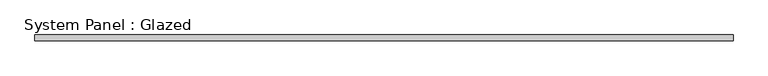
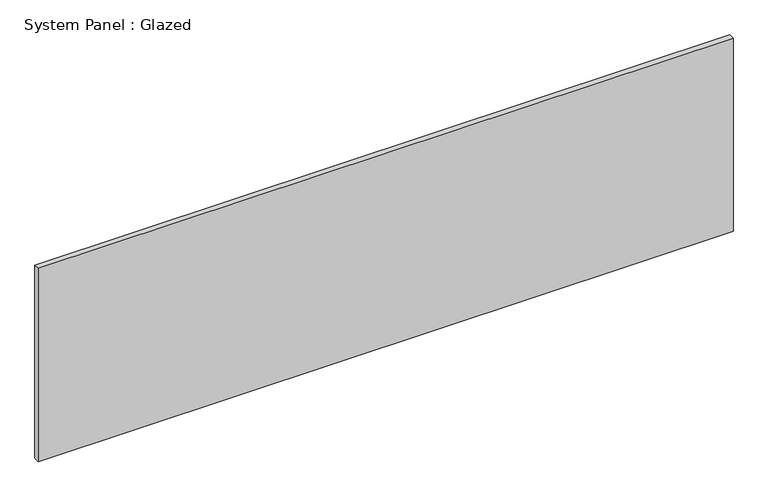
"""IFC4 building model written with IfcOpenShell, lengths in millimetres: plate geometry, System Panel : Glazed."""

import ifcopenshell
import ifcopenshell.guid

model = None  # the IFC model being written
_history = None  # IfcOwnerHistory: only IFC2X3 demands one
_inside = {}  # id of a spatial element -> (the spatial element, [elements in it])
_under = {}  # id of a project, library or spatial element -> (it, [spatial elements below it])
_declared = {}  # id of a project -> (the project, [libraries it declares])
_typed = {}  # id of a type object -> (the type object, [elements of that type])
_made_of = {}  # id of a material, layer set ... -> (it, [elements and type objects made of it])


def new_model(schema):
    """Start an empty IFC model of exactly this schema.

    Asked for "IFC4X3", IfcOpenShell would pick the latest addendum, in which some entities
    have other attributes; the version numbers below select the first issue.
    IFC2X3 requires an IfcOwnerHistory on every rooted entity: one is made here for all.
    """
    global model, _history
    if schema == "IFC4X3":
        model = ifcopenshell.file(schema_version=(4, 3, 0, 0))
    else:
        model = ifcopenshell.file(schema=schema)
    _inside.clear()
    _under.clear()
    _declared.clear()
    _typed.clear()
    _made_of.clear()
    _history = None
    if model.schema == "IFC2X3":
        org = make("IfcOrganization", Name="unknown")
        user = make(
            "IfcPersonAndOrganization",
            ThePerson=make("IfcPerson", FamilyName="unknown"),
            TheOrganization=org,
        )
        app = make(
            "IfcApplication",
            ApplicationDeveloper=org,
            Version="unknown",
            ApplicationFullName="unknown",
            ApplicationIdentifier="unknown",
        )
        _history = make(
            "IfcOwnerHistory",
            OwningUser=user,
            OwningApplication=app,
            ChangeAction="ADDED",
            CreationDate=0,
        )
    return model


def make(cls, **values):
    """One entity of the class cls with the attributes given. An attribute that is None is left unset."""
    return model.create_entity(
        cls, **{name: value for name, value in values.items() if value is not None}
    )


def rooted(cls, **values):
    """An entity with a GlobalId (a new one), such as an element, a storey or a relation."""
    return make(cls, GlobalId=ifcopenshell.guid.new(), OwnerHistory=_history, **values)


def si_unit(unit_type, name, prefix=None):
    """IfcSIUnit, for example si_unit("LENGTHUNIT", "METRE", prefix="MILLI")."""
    return make("IfcSIUnit", UnitType=unit_type, Prefix=prefix, Name=name)


def assignment(units):
    """IfcUnitAssignment: the units of a project."""
    return None if units is None else make("IfcUnitAssignment", Units=units)


def point(xyz):
    """IfcCartesianPoint."""
    return None if xyz is None else make("IfcCartesianPoint", Coordinates=xyz)


def direction(xyz):
    """IfcDirection."""
    return None if xyz is None else make("IfcDirection", DirectionRatios=xyz)


def frame(location, z_axis=None, x_axis=None):
    """IfcAxis2Placement3D, a coordinate frame: its origin and axes. An axis left out is left unset."""
    return make(
        "IfcAxis2Placement3D",
        Location=point(location),
        Axis=direction(z_axis),
        RefDirection=direction(x_axis),
    )


def origin():
    """The frame at (0, 0, 0) with its axes left unset."""
    return frame((0.0, 0.0, 0.0))


def origin_with_axes():
    """The frame at (0, 0, 0) with the z axis (0, 0, 1) and the x axis (1, 0, 0) written out."""
    return frame((0.0, 0.0, 0.0), z_axis=(0.0, 0.0, 1.0), x_axis=(1.0, 0.0, 0.0))


def place(relative_to, where):
    """IfcLocalPlacement: puts the frame where relative to a parent placement (None: the world)."""
    return make(
        "IfcLocalPlacement", PlacementRelTo=relative_to, RelativePlacement=where
    )


def context(
    kind, dimensions, precision=None, world=None, true_north=None, identifier=None
):
    """IfcGeometricRepresentationContext, for example the 3D "Model" context."""
    return make(
        "IfcGeometricRepresentationContext",
        ContextIdentifier=identifier,
        ContextType=kind,
        CoordinateSpaceDimension=dimensions,
        Precision=precision,
        WorldCoordinateSystem=world,
        TrueNorth=true_north,
    )


def project(units=None, contexts=None):
    """IfcProject with its units and contexts."""
    return rooted(
        "IfcProject",
        Name="project",
        RepresentationContexts=contexts,
        UnitsInContext=assignment(units),
    )


def spatial(cls, under=None, at=None, **own):
    """A site, building, storey or space (cls), placed at a placement, below another one or the project."""
    s = rooted(cls, ObjectPlacement=at, **own)
    if under is not None:
        _under.setdefault(under.id(), (under, []))[1].append(s)
    return s


def polyline(points):
    """IfcPolyline through the points."""
    return make("IfcPolyline", Points=[point(p) for p in points])


def outline(outer, holes=None, kind="AREA"):
    """IfcArbitraryClosedProfileDef: a profile drawn as a closed curve; with holes, ...WithVoids."""
    if holes is None:
        return make("IfcArbitraryClosedProfileDef", ProfileType=kind, OuterCurve=outer)
    return make(
        "IfcArbitraryProfileDefWithVoids",
        ProfileType=kind,
        OuterCurve=outer,
        InnerCurves=holes,
    )


def extrude(swept, where, along, depth):
    """IfcExtrudedAreaSolid: the profile swept, set in the frame where, extruded along a direction by depth."""
    return make(
        "IfcExtrudedAreaSolid",
        SweptArea=swept,
        Position=where,
        ExtrudedDirection=direction(along),
        Depth=depth,
    )


def shape(context_of_items, identifier, shape_type, items):
    """IfcShapeRepresentation: the items that make up one representation, for example the "Body"."""
    return make(
        "IfcShapeRepresentation",
        ContextOfItems=context_of_items,
        RepresentationIdentifier=identifier,
        RepresentationType=shape_type,
        Items=items,
    )


def source(mapping_origin, context_of_items, identifier, shape_type, items):
    """IfcRepresentationMap: a shape defined once, which mapped items show again and again."""
    return make(
        "IfcRepresentationMap",
        MappingOrigin=mapping_origin,
        MappedRepresentation=shape(context_of_items, identifier, shape_type, items),
    )


def transform(
    local_origin,
    x_axis=None,
    y_axis=None,
    z_axis=None,
    scale=None,
    scale2=None,
    scale3=None,
    uniform=True,
):
    """IfcCartesianTransformationOperator3D, or its non-uniform kind. x_axis, y_axis, z_axis: its Axis1, 2, 3."""
    if uniform:
        return make(
            "IfcCartesianTransformationOperator3D",
            Axis1=direction(x_axis),
            Axis2=direction(y_axis),
            LocalOrigin=point(local_origin),
            Scale=scale,
            Axis3=direction(z_axis),
        )
    return make(
        "IfcCartesianTransformationOperator3DnonUniform",
        Axis1=direction(x_axis),
        Axis2=direction(y_axis),
        LocalOrigin=point(local_origin),
        Scale=scale,
        Axis3=direction(z_axis),
        Scale2=scale2,
        Scale3=scale3,
    )


def mapped(mapping_source, mapping_target):
    """IfcMappedItem: shows the shape of a source again, moved by a transform."""
    return make(
        "IfcMappedItem", MappingSource=mapping_source, MappingTarget=mapping_target
    )


def made_of(thing, what):
    """Note that an element or type object is made of a material, layer set ...; save() writes the relation."""
    if what is not None:
        _made_of.setdefault(what.id(), (what, []))[1].append(thing)
    return thing


def element(
    cls,
    number,
    at=None,
    inside=None,
    cuts=None,
    type_object=None,
    material=None,
    context=None,
    identifier="Body",
    shape_type=None,
    held_by="IfcProductDefinitionShape",
    body=None,
    shapes=None,
    **own,
):
    """One element of the class cls, such as IfcWall. Its Tag is "e" and its number.

    at: its placement. inside: the storey or other place that contains it. cuts: it is an
    opening in that element (IfcRelVoidsElement). A single representation is given by context,
    identifier, shape_type and body (its items); several are given by shapes. held_by: the class
    of the entity that holds the representations. save() writes the other relations.
    """
    e = rooted(cls, Tag="e%d" % number, ObjectPlacement=at, **own)
    if body is not None:
        shapes = [shape(context, identifier, shape_type, body)]
    if shapes is not None:
        e.Representation = make(held_by, Representations=shapes)
    if inside is not None:
        _inside.setdefault(inside.id(), (inside, []))[1].append(e)
    if cuts is not None:
        rooted(
            "IfcRelVoidsElement", RelatingBuildingElement=cuts, RelatedOpeningElement=e
        )
    if type_object is not None:
        _typed.setdefault(type_object.id(), (type_object, []))[1].append(e)
    return made_of(e, material)


def aggregate(whole, parts):
    """IfcRelAggregates: a whole, such as a stair, and the parts it consists of."""
    return rooted("IfcRelAggregates", RelatingObject=whole, RelatedObjects=parts)


def save(model, path):
    """Write the relations noted so far, then the file.

    IfcRelAggregates (storeys below a building ...), IfcRelContainedInSpatialStructure (elements
    in a storey), IfcRelDefinesByType, IfcRelAssociatesMaterial and IfcRelDeclares: one each for
    every whole, place, type object, material and project.
    """
    for whole, parts in _under.values():
        aggregate(whole, parts)
    for where, things in _inside.values():
        rooted(
            "IfcRelContainedInSpatialStructure",
            RelatedElements=things,
            RelatingStructure=where,
        )
    for kind, things in _typed.values():
        rooted("IfcRelDefinesByType", RelatedObjects=things, RelatingType=kind)
    for what, things in _made_of.values():
        rooted("IfcRelAssociatesMaterial", RelatedObjects=things, RelatingMaterial=what)
    for by, libraries in _declared.values():
        rooted("IfcRelDeclares", RelatingContext=by, RelatedDefinitions=libraries)
    model.write(path)


def system_panel_glazed_3d9d3c25(model_context):
    return source(origin(), model_context, "Body", "SweptSolid", [
        extrude(outline(polyline([(1530.0788895, 24.5), (-1530.0788895, 24.5), (-1530.0788895, 49.5), (1530.0788895, 49.5), (1530.0788895, 24.5)])), origin_with_axes(), (0.0, 0.0, 1.0), 900.0),
    ])


if __name__ == "__main__":
    model = new_model("IFC4")
    model_context = context("Model", 3, world=origin())
    ifc_project = project(units=[si_unit("LENGTHUNIT", "METRE", prefix="MILLI")], contexts=[model_context])
    site = spatial("IfcSite", under=ifc_project)
    building = spatial("IfcBuilding", under=site)
    placement = place(None, origin())
    system_panel_glazed_shape = system_panel_glazed_3d9d3c25(model_context)
    element("IfcPlate", 1, ObjectType="System Panel : Glazed", at=placement, inside=building, context=model_context, shape_type="MappedRepresentation", body=[
        mapped(system_panel_glazed_shape, transform((0.0, 0.0, 0.0), x_axis=(1.0, 0.0, 0.0), y_axis=(0.0, 1.0, 0.0), z_axis=(0.0, 0.0, 1.0))),
    ])
    save(model, "model.ifc")
